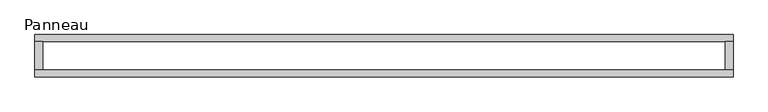
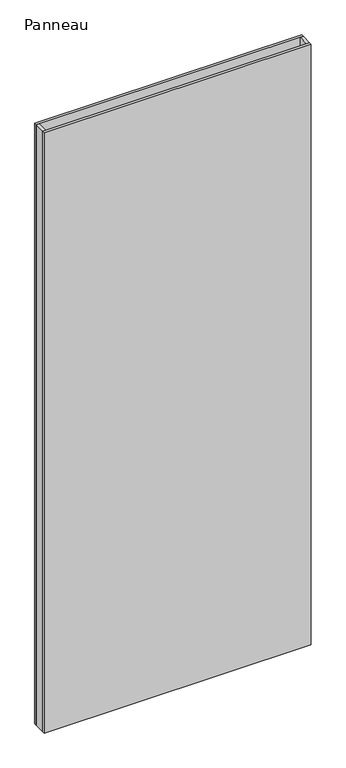
"""IFC4 building model written with IfcOpenShell, lengths in millimetres: plate geometry, Panneau."""

from ifc_helpers import new_model, si_unit, origin, origin_with_axes, place, context, project, spatial, polyline, outline, extrude, source, transform, mapped, element, save


def panneau_fbd850bb(model_context):
    return source(origin(), model_context, "Body", "SweptSolid", [
        extrude(outline(polyline([(613.6250001, -37.2), (-613.6250001, -37.2), (-613.6250001, -25.2), (613.6250001, -25.2), (613.6250001, -37.2)])), origin_with_axes(), (0.0, 0.0, 1.0), 2915.0),
        extrude(outline(polyline([(-599.6250001, 25.2), (-599.6250001, -25.2), (-613.6250001, -25.2), (-613.6250001, 25.2), (-599.6250001, 25.2)])), origin_with_axes(), (0.0, 0.0, 1.0), 2915.0),
        extrude(outline(polyline([(613.6250001, 25.2), (613.6250001, -25.2), (599.6250001, -25.2), (599.6250001, 25.2), (613.6250001, 25.2)])), origin_with_axes(), (0.0, 0.0, 1.0), 2915.0),
        extrude(outline(polyline([(613.6250001, 25.2), (-613.6250001, 25.2), (-613.6250001, 37.2), (613.6250001, 37.2), (613.6250001, 25.2)])), origin_with_axes(), (0.0, 0.0, 1.0), 2915.0),
    ])


if __name__ == "__main__":
    model = new_model("IFC4")
    model_context = context("Model", 3, world=origin())
    ifc_project = project(units=[si_unit("LENGTHUNIT", "METRE", prefix="MILLI")], contexts=[model_context])
    site = spatial("IfcSite", under=ifc_project)
    building = spatial("IfcBuilding", under=site)
    placement = place(None, origin())
    panneau_shape = panneau_fbd850bb(model_context)
    element("IfcPlate", 1, ObjectType="Panneau", at=placement, inside=building, context=model_context, shape_type="MappedRepresentation", body=[
        mapped(panneau_shape, transform((0.0, 0.0, 0.0), x_axis=(1.0, 0.0, 0.0), y_axis=(0.0, 1.0, 0.0), z_axis=(0.0, 0.0, 1.0))),
    ])
    save(model, "model.ifc")
